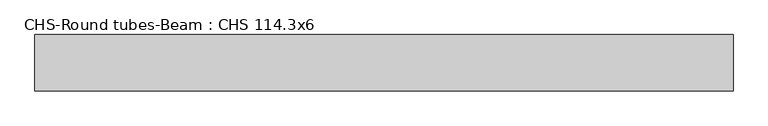
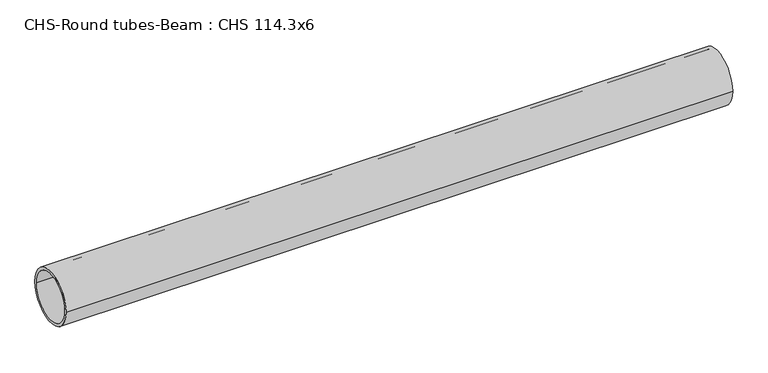
"""IFC4 building model written with IfcOpenShell, lengths in millimetres: beam geometry, CHS-Round tubes-Beam : CHS 114.3x6."""

from ifc_helpers import new_model, si_unit, point, frame, origin, origin_2d, place, context, project, spatial, circle_curve, trimmed, segment, composite_curve, outline, extrude, source, transform, mapped, element, save


def chs_round_tubes_beam_chs_114_3x6_62b3e378(model_context):
    return source(origin(), model_context, "Body", "SweptSolid", [
        extrude(outline(composite_curve([segment(trimmed(circle_curve(origin_2d(), 57.15), [point((57.15, 0.0))], [point((-57.15, 0.0))], False, "CARTESIAN"), True, "CONTINUOUS"), segment(trimmed(circle_curve(origin_2d(), 57.15), [point((-57.15, 0.0))], [point((57.15, 0.0))], False, "CARTESIAN"), True, "CONTINUOUS")], self_intersect=False), holes=[composite_curve([segment(trimmed(circle_curve(origin_2d(), 51.15), [point((51.15, 0.0))], [point((-51.15, 0.0))], True, "CARTESIAN"), True, "CONTINUOUS"), segment(trimmed(circle_curve(origin_2d(), 51.15), [point((-51.15, 0.0))], [point((51.15, 0.0))], True, "CARTESIAN"), True, "CONTINUOUS")], self_intersect=False)]), frame((-773.3070301, 0.0, 0.0), z_axis=(1.0, 0.0, 0.0), x_axis=(0.0, 1.0, 0.0)), (0.0, 0.0, 1.0), 1412.0680971),
    ])


if __name__ == "__main__":
    model = new_model("IFC4")
    model_context = context("Model", 3, world=origin())
    ifc_project = project(units=[si_unit("LENGTHUNIT", "METRE", prefix="MILLI")], contexts=[model_context])
    site = spatial("IfcSite", under=ifc_project)
    building = spatial("IfcBuilding", under=site)
    placement = place(None, origin())
    chs_round_tubes_beam_chs_114_3x6_shape = chs_round_tubes_beam_chs_114_3x6_62b3e378(model_context)
    element("IfcBeam", 1, ObjectType="CHS-Round tubes-Beam : CHS 114.3x6", at=placement, inside=building, context=model_context, shape_type="MappedRepresentation", body=[
        mapped(chs_round_tubes_beam_chs_114_3x6_shape, transform((0.0, 0.0, 0.0), x_axis=(1.0, 0.0, 0.0), y_axis=(0.0, 1.0, 0.0), z_axis=(0.0, 0.0, 1.0))),
    ])
    save(model, "model.ifc")
